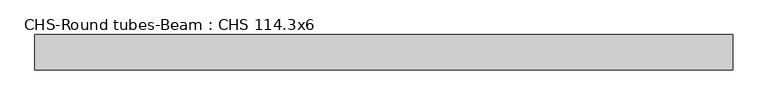
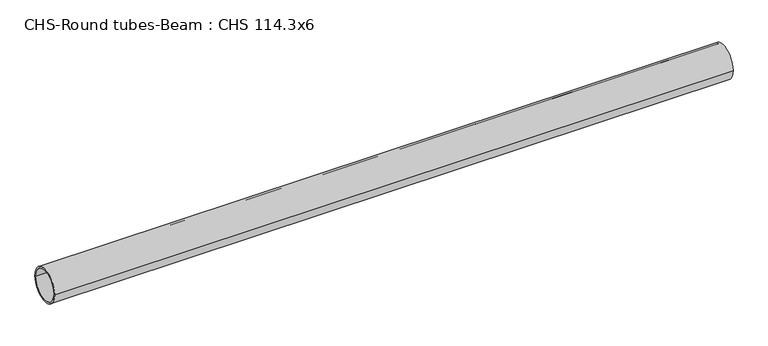
"""IFC4 building model written with IfcOpenShell, lengths in millimetres: beam geometry, CHS-Round tubes-Beam : CHS 114.3x6."""

from ifc_helpers import new_model, si_unit, point, frame, origin, origin_2d, place, context, project, spatial, circle_curve, trimmed, segment, composite_curve, outline, extrude, source, transform, mapped, element, save


def chs_round_tubes_beam_chs_114_3x6_efb9c784(model_context):
    return source(origin(), model_context, "Body", "SweptSolid", [
        extrude(outline(composite_curve([segment(trimmed(circle_curve(origin_2d(), 57.15), [point((57.15, 0.0))], [point((-57.15, 0.0))], False, "CARTESIAN"), True, "CONTINUOUS"), segment(trimmed(circle_curve(origin_2d(), 57.15), [point((-57.15, 0.0))], [point((57.15, 0.0))], False, "CARTESIAN"), True, "CONTINUOUS")], self_intersect=False), holes=[composite_curve([segment(trimmed(circle_curve(origin_2d(), 51.15), [point((51.15, 0.0))], [point((-51.15, 0.0))], True, "CARTESIAN"), True, "CONTINUOUS"), segment(trimmed(circle_curve(origin_2d(), 51.15), [point((-51.15, 0.0))], [point((51.15, 0.0))], True, "CARTESIAN"), True, "CONTINUOUS")], self_intersect=False)]), frame((-953.7938016, 0.0, 0.0), z_axis=(1.0, 0.0, 0.0), x_axis=(0.0, 1.0, 0.0)), (0.0, 0.0, 1.0), 2265.113088),
    ])


if __name__ == "__main__":
    model = new_model("IFC4")
    model_context = context("Model", 3, world=origin())
    ifc_project = project(units=[si_unit("LENGTHUNIT", "METRE", prefix="MILLI")], contexts=[model_context])
    site = spatial("IfcSite", under=ifc_project)
    building = spatial("IfcBuilding", under=site)
    placement = place(None, origin())
    chs_round_tubes_beam_chs_114_3x6_shape = chs_round_tubes_beam_chs_114_3x6_efb9c784(model_context)
    element("IfcBeam", 1, ObjectType="CHS-Round tubes-Beam : CHS 114.3x6", at=placement, inside=building, context=model_context, shape_type="MappedRepresentation", body=[
        mapped(chs_round_tubes_beam_chs_114_3x6_shape, transform((0.0, 0.0, 0.0), x_axis=(1.0, 0.0, 0.0), y_axis=(0.0, 1.0, 0.0), z_axis=(0.0, 0.0, 1.0))),
    ])
    save(model, "model.ifc")
